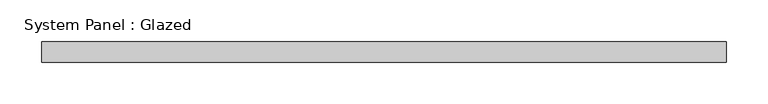
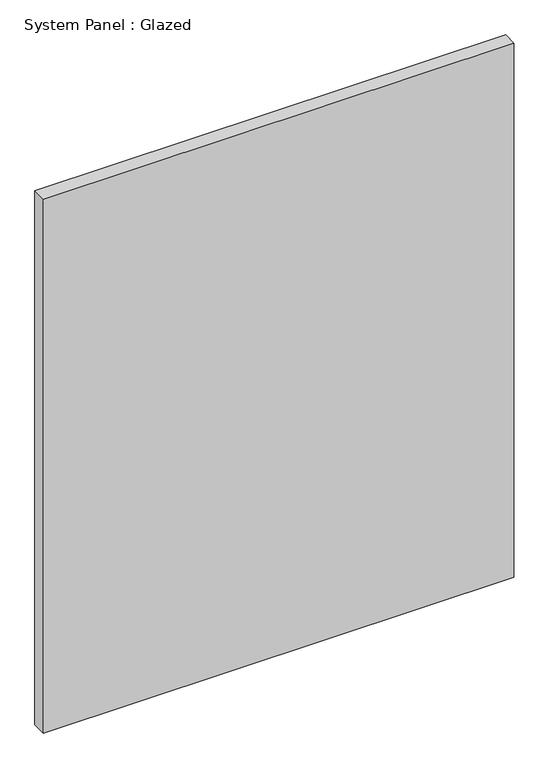
"""IFC4 building model written with IfcOpenShell, lengths in millimetres: plate geometry, System Panel : Glazed."""

from ifc_helpers import new_model, si_unit, origin, origin_with_axes, place, context, project, spatial, polyline, outline, extrude, source, transform, mapped, element, save


def system_panel_glazed_4b9db760(model_context):
    return source(origin(), model_context, "Body", "SweptSolid", [
        extrude(outline(polyline([(412.5, -49.5), (-412.5, -49.5), (-412.5, -24.5), (412.5, -24.5), (412.5, -49.5)])), origin_with_axes(), (0.0, 0.0, 1.0), 989.3333333),
    ])


if __name__ == "__main__":
    model = new_model("IFC4")
    model_context = context("Model", 3, world=origin())
    ifc_project = project(units=[si_unit("LENGTHUNIT", "METRE", prefix="MILLI")], contexts=[model_context])
    site = spatial("IfcSite", under=ifc_project)
    building = spatial("IfcBuilding", under=site)
    placement = place(None, origin())
    system_panel_glazed_shape = system_panel_glazed_4b9db760(model_context)
    element("IfcPlate", 1, ObjectType="System Panel : Glazed", at=placement, inside=building, context=model_context, shape_type="MappedRepresentation", body=[
        mapped(system_panel_glazed_shape, transform((0.0, 0.0, 0.0), x_axis=(1.0, 0.0, 0.0), y_axis=(0.0, 1.0, 0.0), z_axis=(0.0, 0.0, 1.0))),
    ])
    save(model, "model.ifc")
